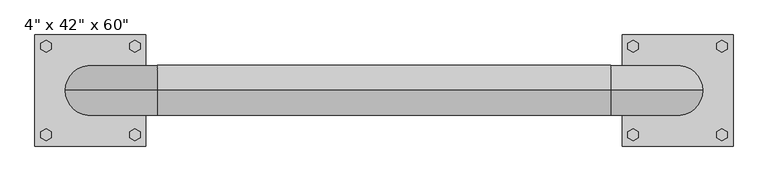
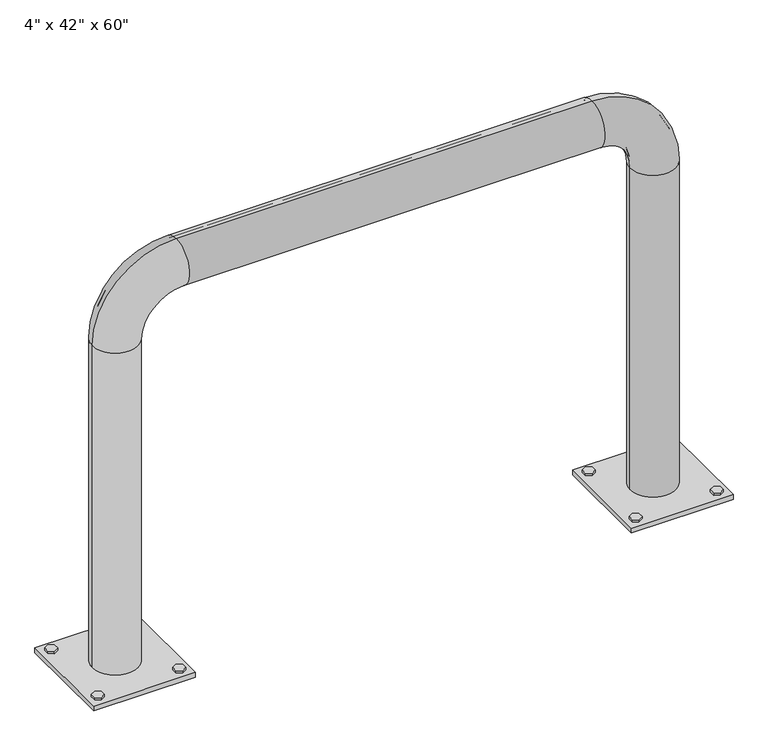
"""IFC4 building model written with IfcOpenShell, lengths in millimetres: proxy geometry."""

from ifc_helpers import new_model, si_unit, point, frame, frame_2d, origin, origin_with_axes, place, context, project, spatial, polyline, circle_curve, ellipse_curve, trimmed, segment, composite_curve, outline, extrude, source, transform, mapped, element, save
from ifc_brep_helpers import plane_surface, cylinder_surface, revolved_surface, advanced_brep


def proxy_ee0045db(model_context):
    return source(origin(), model_context, "Body", "SolidModel", [
        extrude(outline(polyline([(569.7894644, -115.3513169), (557.556499, -108.2886111), (557.556499, -94.1631994), (569.7894644, -87.1004935), (582.0224297, -94.1631994), (582.0224297, -108.2886111), (569.7894644, -115.3513169)])), frame((0.0, 0.0, 12.7), z_axis=(0.0, 0.0, 1.0), x_axis=(1.0, 0.0, 0.0)), (0.0, 0.0, 1.0), 6.3730774),
        extrude(outline(polyline([(772.8386606, -115.3513169), (760.6056953, -108.2886111), (760.6056953, -94.1631994), (772.8386606, -87.1004935), (785.071626, -94.1631994), (785.071626, -108.2886111), (772.8386606, -115.3513169)])), frame((0.0, 0.0, 12.7), z_axis=(0.0, 0.0, 1.0), x_axis=(1.0, 0.0, 0.0)), (0.0, 0.0, 1.0), 6.3730774),
        extrude(outline(polyline([(569.7894644, 115.3513169), (582.0224297, 108.2886111), (582.0224297, 94.1631994), (569.7894644, 87.1004935), (557.556499, 94.1631994), (557.556499, 108.2886111), (569.7894644, 115.3513169)])), frame((0.0, 0.0, 12.7), z_axis=(0.0, 0.0, 1.0), x_axis=(1.0, 0.0, 0.0)), (0.0, 0.0, 1.0), 6.3730774),
        extrude(outline(polyline([(772.8386606, 115.3513169), (785.071626, 108.2886111), (785.071626, 94.1631994), (772.8386606, 87.1004935), (760.6056953, 94.1631994), (760.6056953, 108.2886111), (772.8386606, 115.3513169)])), frame((0.0, 0.0, 12.7), z_axis=(0.0, 0.0, 1.0), x_axis=(1.0, 0.0, 0.0)), (0.0, 0.0, 1.0), 6.3730774),
        extrude(outline(polyline([(544.5125, -127.0), (544.5125, 127.0), (798.5125, 127.0), (798.5125, -127.0), (544.5125, -127.0)]), holes=[composite_curve([segment(trimmed(circle_curve(frame_2d((773.1125, 101.6)), 9.525), [point((782.6375, 101.6))], [point((763.5875, 101.6))], True, "CARTESIAN"), True, "CONTINUOUS"), segment(trimmed(circle_curve(frame_2d((773.1125, 101.6)), 9.525), [point((763.5875, 101.6))], [point((782.6375, 101.6))], True, "CARTESIAN"), True, "CONTINUOUS")], self_intersect=False), composite_curve([segment(trimmed(circle_curve(frame_2d((569.9125, 101.6)), 9.525), [point((579.4375, 101.6))], [point((560.3875, 101.6))], True, "CARTESIAN"), True, "CONTINUOUS"), segment(trimmed(circle_curve(frame_2d((569.9125, 101.6)), 9.525), [point((560.3875, 101.6))], [point((579.4375, 101.6))], True, "CARTESIAN"), True, "CONTINUOUS")], self_intersect=False), composite_curve([segment(trimmed(circle_curve(frame_2d((773.1125, -101.6)), 9.525), [point((782.6375, -101.6))], [point((763.5875, -101.6))], True, "CARTESIAN"), True, "CONTINUOUS"), segment(trimmed(circle_curve(frame_2d((773.1125, -101.6)), 9.525), [point((763.5875, -101.6))], [point((782.6375, -101.6))], True, "CARTESIAN"), True, "CONTINUOUS")], self_intersect=False), composite_curve([segment(trimmed(circle_curve(frame_2d((569.9125, -101.6)), 9.525), [point((579.4375, -101.6))], [point((560.3875, -101.6))], True, "CARTESIAN"), True, "CONTINUOUS"), segment(trimmed(circle_curve(frame_2d((569.9125, -101.6)), 9.525), [point((560.3875, -101.6))], [point((579.4375, -101.6))], True, "CARTESIAN"), True, "CONTINUOUS")], self_intersect=False)]), origin_with_axes(), (0.0, 0.0, 1.0), 12.7),
        extrude(outline(polyline([(-569.7894644, -115.3513169), (-582.0224297, -108.2886111), (-582.0224297, -94.1631994), (-569.7894644, -87.1004935), (-557.556499, -94.1631994), (-557.556499, -108.2886111), (-569.7894644, -115.3513169)])), frame((0.0, 0.0, 12.7), z_axis=(0.0, 0.0, 1.0), x_axis=(1.0, 0.0, 0.0)), (0.0, 0.0, 1.0), 6.3730774),
        extrude(outline(polyline([(-772.8386606, -115.3513169), (-785.071626, -108.2886111), (-785.071626, -94.1631994), (-772.8386606, -87.1004935), (-760.6056953, -94.1631994), (-760.6056953, -108.2886111), (-772.8386606, -115.3513169)])), frame((0.0, 0.0, 12.7), z_axis=(0.0, 0.0, 1.0), x_axis=(1.0, 0.0, 0.0)), (0.0, 0.0, 1.0), 6.3730774),
        extrude(outline(polyline([(-569.7894644, 115.3513169), (-557.556499, 108.2886111), (-557.556499, 94.1631994), (-569.7894644, 87.1004935), (-582.0224297, 94.1631994), (-582.0224297, 108.2886111), (-569.7894644, 115.3513169)])), frame((0.0, 0.0, 12.7), z_axis=(0.0, 0.0, 1.0), x_axis=(1.0, 0.0, 0.0)), (0.0, 0.0, 1.0), 6.3730774),
        extrude(outline(polyline([(-772.8386606, 115.3513169), (-760.6056953, 108.2886111), (-760.6056953, 94.1631994), (-772.8386606, 87.1004935), (-785.071626, 94.1631994), (-785.071626, 108.2886111), (-772.8386606, 115.3513169)])), frame((0.0, 0.0, 12.7), z_axis=(0.0, 0.0, 1.0), x_axis=(1.0, 0.0, 0.0)), (0.0, 0.0, 1.0), 6.3730774),
        extrude(outline(polyline([(-544.5125, -127.0), (-798.5125, -127.0), (-798.5125, 127.0), (-544.5125, 127.0), (-544.5125, -127.0)]), holes=[composite_curve([segment(trimmed(circle_curve(frame_2d((-773.1125, 101.6)), 9.525), [point((-782.6375, 101.6))], [point((-763.5875, 101.6))], True, "CARTESIAN"), True, "CONTINUOUS"), segment(trimmed(circle_curve(frame_2d((-773.1125, 101.6)), 9.525), [point((-763.5875, 101.6))], [point((-782.6375, 101.6))], True, "CARTESIAN"), True, "CONTINUOUS")], self_intersect=False), composite_curve([segment(trimmed(circle_curve(frame_2d((-569.9125, 101.6)), 9.525), [point((-579.4375, 101.6))], [point((-560.3875, 101.6))], True, "CARTESIAN"), True, "CONTINUOUS"), segment(trimmed(circle_curve(frame_2d((-569.9125, 101.6)), 9.525), [point((-560.3875, 101.6))], [point((-579.4375, 101.6))], True, "CARTESIAN"), True, "CONTINUOUS")], self_intersect=False), composite_curve([segment(trimmed(circle_curve(frame_2d((-773.1125, -101.6)), 9.525), [point((-782.6375, -101.6))], [point((-763.5875, -101.6))], True, "CARTESIAN"), True, "CONTINUOUS"), segment(trimmed(circle_curve(frame_2d((-773.1125, -101.6)), 9.525), [point((-763.5875, -101.6))], [point((-782.6375, -101.6))], True, "CARTESIAN"), True, "CONTINUOUS")], self_intersect=False), composite_curve([segment(trimmed(circle_curve(frame_2d((-569.9125, -101.6)), 9.525), [point((-579.4375, -101.6))], [point((-560.3875, -101.6))], True, "CARTESIAN"), True, "CONTINUOUS"), segment(trimmed(circle_curve(frame_2d((-569.9125, -101.6)), 9.525), [point((-560.3875, -101.6))], [point((-579.4375, -101.6))], True, "CARTESIAN"), True, "CONTINUOUS")], self_intersect=False)]), origin_with_axes(), (0.0, 0.0, 1.0), 12.7),
        advanced_brep(
        [(-614.3625, 0.0, 12.7), (-728.6625, 0.0, 12.7), (-620.7125, 0.0, 12.7), (-722.3125, 0.0, 12.7), (-620.7125, 0.0, 863.6), (-722.3125, 0.0, 863.6), (-614.3625, 0.0, 863.6), (-728.6625, 0.0, 863.6), (-519.1125, 0.0, 1066.8), (-519.1125, 0.0, 965.2), (-519.1125, 0.0, 1073.15), (-519.1125, 0.0, 958.85), (519.1125, 0.0, 965.2), (519.1125, 0.0, 1066.8), (519.1125, 0.0, 958.85), (519.1125, 0.0, 1073.15), (722.3125, 0.0, 863.6), (620.7125, 0.0, 863.6), (728.6625, 0.0, 863.6), (614.3625, 0.0, 863.6), (614.3625, 0.0, 12.7), (728.6625, 0.0, 12.7), (620.7125, 0.0, 12.7), (722.3125, 0.0, 12.7)],
        [
            (0, 1, circle_curve(frame((-671.5125, 0.0, 12.7), z_axis=(0.0, 0.0, -1.0), x_axis=(-1.0, 0.0, 0.0)), 57.15)),
            (1, 0, circle_curve(frame((-671.5125, 0.0, 12.7), z_axis=(0.0, 0.0, -1.0), x_axis=(-1.0, 0.0, 0.0)), 57.15)),
            (2, 3, circle_curve(frame((-671.5125, 0.0, 12.7), z_axis=(0.0, 0.0, 1.0), x_axis=(-1.0, 0.0, 0.0)), 50.8)),
            (3, 2, circle_curve(frame((-671.5125, 0.0, 12.7), z_axis=(0.0, 0.0, 1.0), x_axis=(-1.0, 0.0, 0.0)), 50.8)),
            (2, 4),
            (4, 5, circle_curve(frame((-671.5125, 0.0, 863.6), z_axis=(0.0, 0.0, 1.0), x_axis=(-1.0, 0.0, 0.0)), 50.8)),
            (5, 3),
            (5, 4, circle_curve(frame((-671.5125, 0.0, 863.6), z_axis=(0.0, 0.0, 1.0), x_axis=(-1.0, 0.0, 0.0)), 50.8)),
            (0, 6),
            (6, 7, circle_curve(frame((-671.5125, 0.0, 863.6), z_axis=(0.0, 0.0, -1.0), x_axis=(-1.0, 0.0, 0.0)), 57.15)),
            (7, 1),
            (7, 6, circle_curve(frame((-671.5125, 0.0, 863.6), z_axis=(0.0, 0.0, -1.0), x_axis=(-1.0, 0.0, 0.0)), 57.15)),
            (8, 5, circle_curve(frame((-519.1125, 0.0, 863.6), z_axis=(0.0, -1.0, 0.0), x_axis=(-1.0, 0.0, 0.0)), 203.2)),
            (4, 9, circle_curve(frame((-519.1125, 0.0, 863.6), z_axis=(0.0, 1.0, 0.0), x_axis=(-1.0, 0.0, 0.0)), 101.6)),
            (9, 8, circle_curve(frame((-519.1125, 0.0, 1016.0), z_axis=(1.0, 0.0, 0.0), x_axis=(0.0, 0.0, 1.0)), 50.8)),
            (8, 9, circle_curve(frame((-519.1125, 0.0, 1016.0), z_axis=(1.0, 0.0, 0.0), x_axis=(0.0, 0.0, 1.0)), 50.8)),
            (10, 7, circle_curve(frame((-519.1125, 0.0, 863.6), z_axis=(0.0, -1.0, 0.0), x_axis=(-1.0, 0.0, 0.0)), 209.55)),
            (6, 11, circle_curve(frame((-519.1125, 0.0, 863.6), z_axis=(0.0, 1.0, 0.0), x_axis=(-1.0, 0.0, 0.0)), 95.25)),
            (11, 10, circle_curve(frame((-519.1125, 0.0, 1016.0), z_axis=(-1.0, 0.0, 0.0), x_axis=(0.0, 0.0, 1.0)), 57.15)),
            (10, 11, circle_curve(frame((-519.1125, 0.0, 1016.0), z_axis=(-1.0, 0.0, 0.0), x_axis=(0.0, 0.0, 1.0)), 57.15)),
            (9, 12),
            (12, 13, circle_curve(frame((519.1125, 0.0, 1016.0), z_axis=(1.0, 0.0, 0.0), x_axis=(0.0, 0.0, 1.0)), 50.8)),
            (13, 8),
            (13, 12, circle_curve(frame((519.1125, 0.0, 1016.0), z_axis=(1.0, 0.0, 0.0), x_axis=(0.0, 0.0, 1.0)), 50.8)),
            (11, 14),
            (14, 15, circle_curve(frame((519.1125, 0.0, 1016.0), z_axis=(-1.0, 0.0, 0.0), x_axis=(0.0, 0.0, 1.0)), 57.15)),
            (15, 10),
            (15, 14, circle_curve(frame((519.1125, 0.0, 1016.0), z_axis=(-1.0, 0.0, 0.0), x_axis=(0.0, 0.0, 1.0)), 57.15)),
            (16, 13, circle_curve(frame((519.1125, 0.0, 863.6), z_axis=(0.0, -1.0, 0.0), x_axis=(0.0, 0.0, 1.0)), 203.2)),
            (12, 17, circle_curve(frame((519.1125, 0.0, 863.6), z_axis=(0.0, 1.0, 0.0), x_axis=(0.0, 0.0, 1.0)), 101.6)),
            (17, 16, circle_curve(frame((671.5125, 0.0, 863.6), z_axis=(0.0, 0.0, -1.0), x_axis=(1.0, 0.0, 0.0)), 50.8)),
            (16, 17, circle_curve(frame((671.5125, 0.0, 863.6), z_axis=(0.0, 0.0, -1.0), x_axis=(1.0, 0.0, 0.0)), 50.8)),
            (18, 15, circle_curve(frame((519.1125, 0.0, 863.6), z_axis=(0.0, -1.0, 0.0), x_axis=(0.0, 0.0, 1.0)), 209.55)),
            (14, 19, circle_curve(frame((519.1125, 0.0, 863.6), z_axis=(0.0, 1.0, 0.0), x_axis=(0.0, 0.0, 1.0)), 95.25)),
            (19, 18, circle_curve(frame((671.5125, 0.0, 863.6), z_axis=(0.0, 0.0, 1.0), x_axis=(1.0, 0.0, 0.0)), 57.15)),
            (18, 19, circle_curve(frame((671.5125, 0.0, 863.6), z_axis=(0.0, 0.0, 1.0), x_axis=(1.0, 0.0, 0.0)), 57.15)),
            (20, 21, circle_curve(frame((671.5125, 0.0, 12.7), z_axis=(0.0, 0.0, -1.0), x_axis=(1.0, 0.0, 0.0)), 57.15)),
            (21, 20, circle_curve(frame((671.5125, 0.0, 12.7), z_axis=(0.0, 0.0, -1.0), x_axis=(1.0, 0.0, 0.0)), 57.15)),
            (22, 23, circle_curve(frame((671.5125, 0.0, 12.7), z_axis=(0.0, 0.0, 1.0), x_axis=(1.0, 0.0, 0.0)), 50.8)),
            (23, 22, circle_curve(frame((671.5125, 0.0, 12.7), z_axis=(0.0, 0.0, 1.0), x_axis=(1.0, 0.0, 0.0)), 50.8)),
            (17, 22),
            (23, 16),
            (19, 20),
            (21, 18),
        ],
        [
            plane_surface(frame((-671.5125, 0.0, 12.7), z_axis=(0.0, 0.0, -1.0), x_axis=(0.0, -1.0, 0.0))),
            revolved_surface(polyline([(-722.3125, 0.0, 863.6), (-722.3125, 0.0, 12.7)]), (-671.5125, 0.0, 12.7), (0.0, 0.0, 1.0)),
            cylinder_surface(frame((-671.5125, 0.0, 12.7), z_axis=(0.0, 0.0, -1.0), x_axis=(-1.0, 0.0, 0.0)), 57.15),
            revolved_surface(trimmed(ellipse_curve(frame((-671.5125, 0.0, 863.6), z_axis=(0.0, 0.0, 1.0), x_axis=(-1.0, 0.0, 0.0)), 50.8, 50.8), [point((-620.7125, 0.0, 863.6))], [point((-722.3125, 0.0, 863.6))], True, "CARTESIAN"), (-519.1125, 0.0, 863.6), (0.0, 1.0, 0.0)),
            revolved_surface(trimmed(ellipse_curve(frame((-671.5125, 0.0, 863.6), z_axis=(0.0, 0.0, 1.0), x_axis=(-1.0, 0.0, 0.0)), 50.8, 50.8), [point((-722.3125, 0.0, 863.6))], [point((-620.7125, 0.0, 863.6))], True, "CARTESIAN"), (-519.1125, 0.0, 863.6), (0.0, 1.0, 0.0)),
            revolved_surface(trimmed(ellipse_curve(frame((-671.5125, 0.0, 863.6), z_axis=(0.0, 0.0, -1.0), x_axis=(-1.0, 0.0, 0.0)), 57.15, 57.15), [point((-614.3625, 0.0, 863.6))], [point((-728.6625, 0.0, 863.6))], True, "CARTESIAN"), (-519.1125, 0.0, 863.6), (0.0, 1.0, 0.0)),
            revolved_surface(trimmed(ellipse_curve(frame((-671.5125, 0.0, 863.6), z_axis=(0.0, 0.0, -1.0), x_axis=(-1.0, 0.0, 0.0)), 57.15, 57.15), [point((-728.6625, 0.0, 863.6))], [point((-614.3625, 0.0, 863.6))], True, "CARTESIAN"), (-519.1125, 0.0, 863.6), (0.0, 1.0, 0.0)),
            revolved_surface(polyline([(519.1125, 0.0, 1066.8), (-519.1125, 0.0, 1066.8)]), (-519.1125, 0.0, 1016.0), (1.0, 0.0, 0.0)),
            cylinder_surface(frame((-519.1125, 0.0, 1016.0), z_axis=(-1.0, 0.0, 0.0), x_axis=(0.0, 0.0, 1.0)), 57.15),
            revolved_surface(trimmed(ellipse_curve(frame((519.1125, 0.0, 1016.0), z_axis=(1.0, 0.0, 0.0), x_axis=(0.0, 0.0, 1.0)), 50.8, 50.8), [point((519.1125, 0.0, 965.2))], [point((519.1125, 0.0, 1066.8))], True, "CARTESIAN"), (519.1125, 0.0, 863.6), (0.0, 1.0, 0.0)),
            revolved_surface(trimmed(ellipse_curve(frame((519.1125, 0.0, 1016.0), z_axis=(1.0, 0.0, 0.0), x_axis=(0.0, 0.0, 1.0)), 50.8, 50.8), [point((519.1125, 0.0, 1066.8))], [point((519.1125, 0.0, 965.2))], True, "CARTESIAN"), (519.1125, 0.0, 863.6), (0.0, 1.0, 0.0)),
            revolved_surface(trimmed(ellipse_curve(frame((519.1125, 0.0, 1016.0), z_axis=(-1.0, 0.0, 0.0), x_axis=(0.0, 0.0, 1.0)), 57.15, 57.15), [point((519.1125, 0.0, 958.85))], [point((519.1125, 0.0, 1073.15))], True, "CARTESIAN"), (519.1125, 0.0, 863.6), (0.0, 1.0, 0.0)),
            revolved_surface(trimmed(ellipse_curve(frame((519.1125, 0.0, 1016.0), z_axis=(-1.0, 0.0, 0.0), x_axis=(0.0, 0.0, 1.0)), 57.15, 57.15), [point((519.1125, 0.0, 1073.15))], [point((519.1125, 0.0, 958.85))], True, "CARTESIAN"), (519.1125, 0.0, 863.6), (0.0, 1.0, 0.0)),
            plane_surface(frame((671.5125, 0.0, 12.7), z_axis=(0.0, 0.0, -1.0), x_axis=(0.0, -1.0, 0.0))),
            revolved_surface(polyline([(722.3125, 0.0, 12.700000000000045), (722.3125, 0.0, 863.6)]), (671.5125, 0.0, 863.6), (0.0, 0.0, -1.0)),
            cylinder_surface(frame((671.5125, 0.0, 863.6), z_axis=(0.0, 0.0, 1.0), x_axis=(1.0, 0.0, 0.0)), 57.15),
        ],
        [
            (0, [[1, 2], [3, 4]]),
            (1, [[-3, 5, 6, 7]]),
            (1, [[-4, -7, 8, -5]]),
            (2, [[-1, 9, 10, 11]]),
            (2, [[-2, -11, 12, -9]]),
            (3, [[13, -6, 14, 15]]),
            (4, [[-14, -8, -13, 16]]),
            (5, [[17, -10, 18, 19]]),
            (6, [[-18, -12, -17, 20]]),
            (7, [[-15, 21, 22, 23]]),
            (7, [[-16, -23, 24, -21]]),
            (8, [[-19, 25, 26, 27]]),
            (8, [[-20, -27, 28, -25]]),
            (9, [[29, -22, 30, 31]]),
            (10, [[-30, -24, -29, 32]]),
            (11, [[33, -26, 34, 35]]),
            (12, [[-34, -28, -33, 36]]),
            (13, [[37, 38], [39, 40]]),
            (14, [[-31, 41, -40, 42]]),
            (14, [[-32, -42, -39, -41]]),
            (15, [[-35, 43, -38, 44]]),
            (15, [[-36, -44, -37, -43]]),
        ],
    ),
    ])


if __name__ == "__main__":
    model = new_model("IFC4")
    model_context = context("Model", 3, world=origin())
    ifc_project = project(units=[si_unit("LENGTHUNIT", "METRE", prefix="MILLI")], contexts=[model_context])
    site = spatial("IfcSite", under=ifc_project)
    building = spatial("IfcBuilding", under=site)
    placement = place(None, origin())
    proxy_shape = proxy_ee0045db(model_context)
    element("IfcBuildingElementProxy", 1, Name="4\" x 42\" x 60\"", ObjectType="4\" x 42\" x 60\"", at=placement, inside=building, context=model_context, shape_type="MappedRepresentation", body=[
        mapped(proxy_shape, transform((0.0, 0.0, 0.0), x_axis=(1.0, 0.0, 0.0), y_axis=(0.0, 1.0, 0.0), z_axis=(0.0, 0.0, 1.0))),
    ])
    save(model, "model.ifc")
